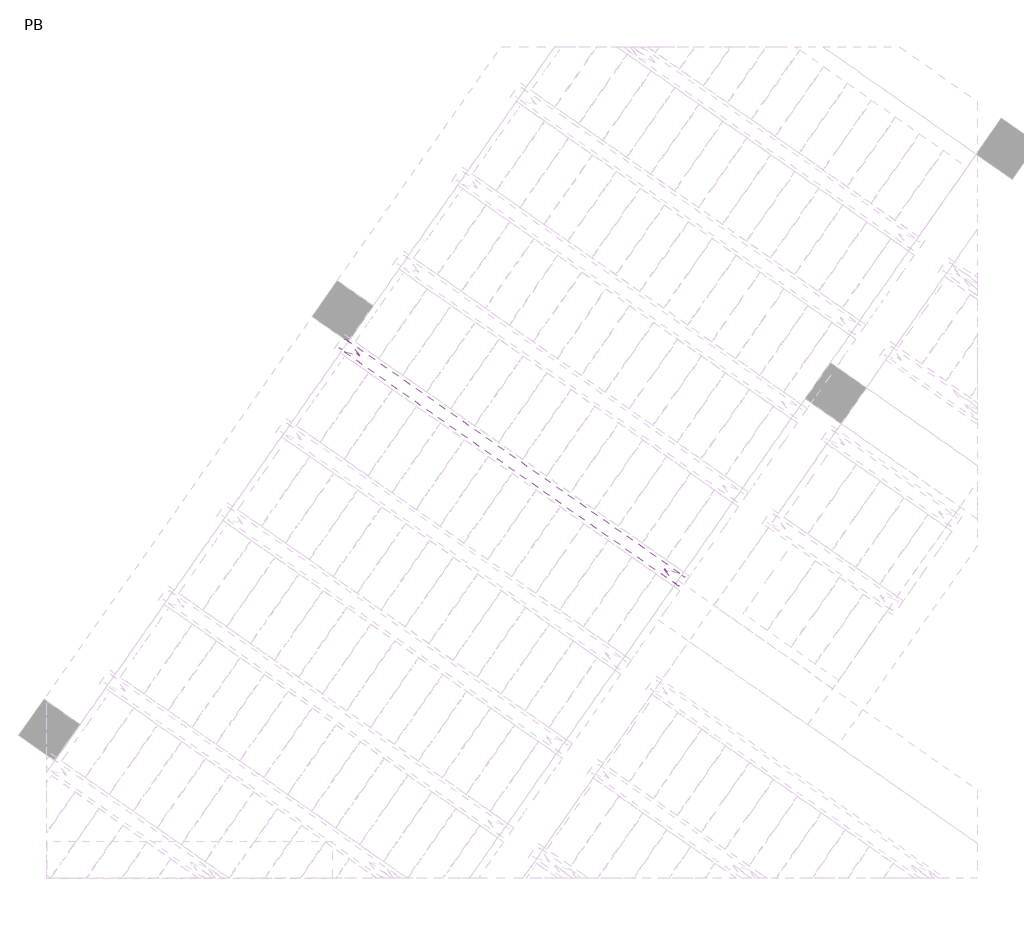
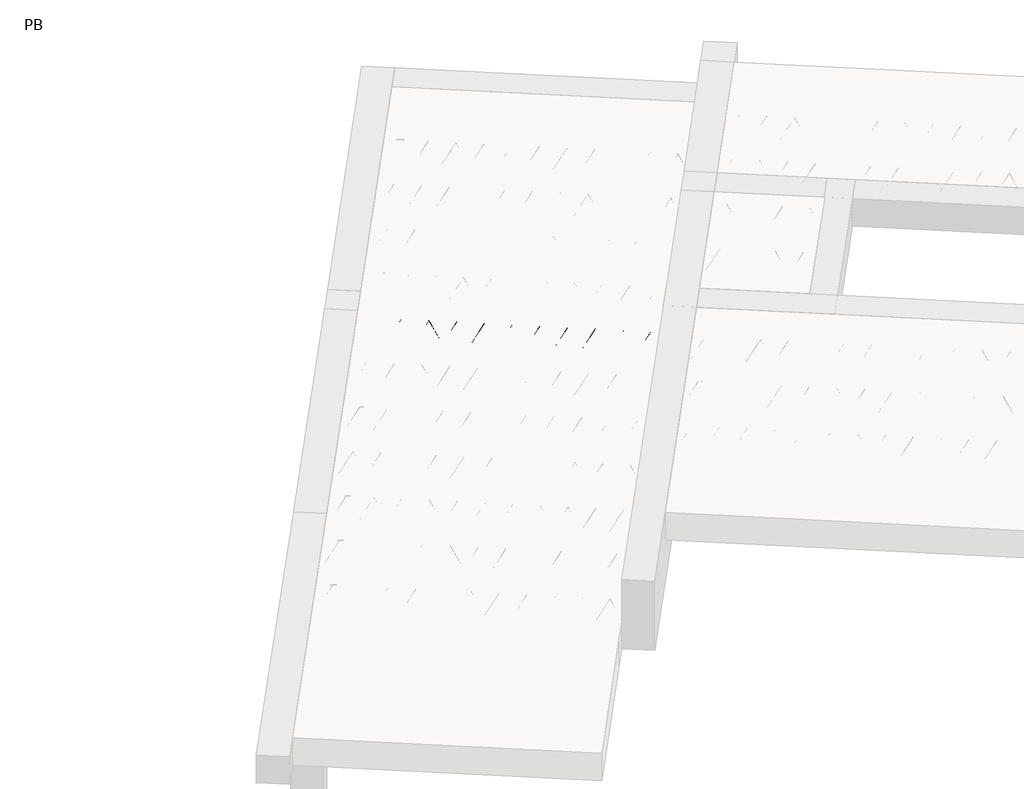
# One storey, part 35 of 56: 1 beam.
"""IFC4 building model written with IfcOpenShell, lengths in millimetres."""

from ifc_helpers import new_model, si_unit, point, frame, origin, origin_2d, place, context, project, spatial, circle_curve, trimmed, segment, composite_curve, outline, extrude, element, save

model = new_model("IFC4")

# Units and contexts
model_context = context("Model", 3, world=origin())
ifc_project = project(units=[si_unit("LENGTHUNIT", "METRE", prefix="MILLI")], contexts=[model_context])

# Site, building, storey
site = spatial("IfcSite", under=ifc_project)
building = spatial("IfcBuilding", under=site)
storey = spatial("IfcBuildingStorey", under=building, Name="PB", Elevation=95940.0)

# Beam
placement = place(None, origin())
element("IfcBeam", 1, at=placement, inside=storey, context=model_context, shape_type="SweptSolid", body=[
    extrude(outline(composite_curve([segment(trimmed(circle_curve(origin_2d(), 2.5), [point((-2.5, 0.0))], [point((2.5, 0.0))], False, "CARTESIAN"), True, "CONTINUOUS"), segment(trimmed(circle_curve(origin_2d(), 2.5), [point((2.5, 0.0))], [point((-2.5, 0.0))], False, "CARTESIAN"), True, "CONTINUOUS")], self_intersect=False)), frame((4756.0331286, 6209.2668931, 98785.0), z_axis=(-0.8191520442696126, 0.5735764363787226, 0.0), x_axis=(0.5735764363787226, 0.8191520442696126, 0.0)), (0.0, 0.0, 1.0), 2836.461997),
    extrude(outline(composite_curve([segment(trimmed(circle_curve(origin_2d(), 2.5), [point((-2.5, 0.0))], [point((2.5000001, 0.0))], False, "CARTESIAN"), True, "CONTINUOUS"), segment(trimmed(circle_curve(origin_2d(), 2.5), [point((2.5000001, 0.0))], [point((-2.5, 0.0))], False, "CARTESIAN"), True, "CONTINUOUS")], self_intersect=False)), frame((4679.8327161, 6306.5708815, 99010.0), z_axis=(-0.8191520442696126, 0.5735764363787226, 0.0), x_axis=(0.5735764363787226, 0.8191520442696126, 0.0)), (0.0, 0.0, 1.0), 2600.0),
    extrude(outline(composite_curve([segment(trimmed(circle_curve(origin_2d(), 2.5), [point((-2.5, 0.0))], [point((2.5, 1e-07))], False, "CARTESIAN"), True, "CONTINUOUS"), segment(trimmed(circle_curve(origin_2d(), 2.5), [point((2.5, 1e-07))], [point((-2.5, 0.0))], False, "CARTESIAN"), True, "CONTINUOUS")], self_intersect=False)), frame((4720.6203677, 6234.0631752, 98785.0), z_axis=(-0.3145304735701046, 0.38933448886848654, 0.8657304643902053), x_axis=(0.7778747638402499, 0.6284193279813057, 0.0)), (0.0, 0.0, 1.0), 259.8961331),
    extrude(outline(composite_curve([segment(trimmed(circle_curve(origin_2d(), 2.5), [point((2.5, -1e-07))], [point((-2.5, 0.0))], False, "CARTESIAN"), True, "CONTINUOUS"), segment(trimmed(circle_curve(origin_2d(), 2.5), [point((-2.5, 0.0))], [point((2.5, -1e-07))], False, "CARTESIAN"), True, "CONTINUOUS")], self_intersect=False)), frame((4515.8323567, 6377.4572843, 98785.0), z_axis=(0.47343050384693375, -0.16240172737369005, 0.8657304643902051), x_axis=(-0.3244721671091268, -0.9458952440791246, 0.0)), (0.0, 0.0, 1.0), 259.8961331),
    extrude(outline(composite_curve([segment(trimmed(circle_curve(origin_2d(), 2.5), [point((-2.5000001, 1e-07))], [point((2.5, 0.0))], False, "CARTESIAN"), True, "CONTINUOUS"), segment(trimmed(circle_curve(origin_2d(), 2.5), [point((2.5, 0.0))], [point((-2.5000001, 1e-07))], False, "CARTESIAN"), True, "CONTINUOUS")], self_intersect=False)), frame((4515.8323567, 6377.4572843, 98785.0), z_axis=(-0.3145304735701046, 0.38933448886848654, 0.8657304643902053), x_axis=(0.7778747638402499, 0.6284193279813057, 0.0)), (0.0, 0.0, 1.0), 259.8961331),
    extrude(outline(composite_curve([segment(trimmed(circle_curve(origin_2d(), 2.5), [point((2.5, 0.0))], [point((-2.5, 0.0))], False, "CARTESIAN"), True, "CONTINUOUS"), segment(trimmed(circle_curve(origin_2d(), 2.5), [point((-2.5, 0.0))], [point((2.5, 0.0))], False, "CARTESIAN"), True, "CONTINUOUS")], self_intersect=False)), frame((4311.0443456, 6520.8513934, 98785.0), z_axis=(0.47343050384693375, -0.16240172737369005, 0.8657304643902051), x_axis=(-0.3244721671091268, -0.9458952440791246, 0.0)), (0.0, 0.0, 1.0), 259.8961331),
    extrude(outline(composite_curve([segment(trimmed(circle_curve(origin_2d(), 2.5), [point((-2.5, 0.0))], [point((2.5, 0.0))], False, "CARTESIAN"), True, "CONTINUOUS"), segment(trimmed(circle_curve(origin_2d(), 2.5), [point((2.5, 0.0))], [point((-2.5, 0.0))], False, "CARTESIAN"), True, "CONTINUOUS")], self_intersect=False)), frame((4311.0443456, 6520.8513934, 98785.0), z_axis=(-0.3145304735701046, 0.38933448886848654, 0.8657304643902053), x_axis=(0.7778747638402499, 0.6284193279813057, 0.0)), (0.0, 0.0, 1.0), 259.8961331),
    extrude(outline(composite_curve([segment(trimmed(circle_curve(origin_2d(), 2.5), [point((2.5, 0.0))], [point((-2.5, 0.0))], False, "CARTESIAN"), True, "CONTINUOUS"), segment(trimmed(circle_curve(origin_2d(), 2.5), [point((-2.5, 0.0))], [point((2.5, 0.0))], False, "CARTESIAN"), True, "CONTINUOUS")], self_intersect=False)), frame((4106.2563345, 6664.2455025, 98785.0), z_axis=(0.47343050384693375, -0.16240172737369005, 0.8657304643902051), x_axis=(-0.3244721671091268, -0.9458952440791246, 0.0)), (0.0, 0.0, 1.0), 259.8961331),
    extrude(outline(composite_curve([segment(trimmed(circle_curve(origin_2d(), 2.5), [point((-2.5, 0.0))], [point((2.5, 0.0))], False, "CARTESIAN"), True, "CONTINUOUS"), segment(trimmed(circle_curve(origin_2d(), 2.5), [point((2.5, 0.0))], [point((-2.5, 0.0))], False, "CARTESIAN"), True, "CONTINUOUS")], self_intersect=False)), frame((4106.2563345, 6664.2455025, 98785.0), z_axis=(-0.3145304735701046, 0.38933448886848654, 0.8657304643902053), x_axis=(0.7778747638402499, 0.6284193279813057, 0.0)), (0.0, 0.0, 1.0), 259.8961331),
    extrude(outline(composite_curve([segment(trimmed(circle_curve(origin_2d(), 2.5), [point((2.5, -1e-07))], [point((-2.5, 0.0))], False, "CARTESIAN"), True, "CONTINUOUS"), segment(trimmed(circle_curve(origin_2d(), 2.5), [point((-2.5, 0.0))], [point((2.5, -1e-07))], False, "CARTESIAN"), True, "CONTINUOUS")], self_intersect=False)), frame((3901.4683235, 6807.6396116, 98785.0), z_axis=(0.47343050384693375, -0.16240172737369005, 0.8657304643902051), x_axis=(-0.3244721671091268, -0.9458952440791246, 0.0)), (0.0, 0.0, 1.0), 259.8961331),
    extrude(outline(composite_curve([segment(trimmed(circle_curve(origin_2d(), 2.5), [point((-2.5, 0.0))], [point((2.5, 0.0))], False, "CARTESIAN"), True, "CONTINUOUS"), segment(trimmed(circle_curve(origin_2d(), 2.5), [point((2.5, 0.0))], [point((-2.5, 0.0))], False, "CARTESIAN"), True, "CONTINUOUS")], self_intersect=False)), frame((3901.4683231, 6807.6396118, 98785.0), z_axis=(-0.3145304735701046, 0.38933448886848654, 0.8657304643902053), x_axis=(0.7778747638402499, 0.6284193279813057, 0.0)), (0.0, 0.0, 1.0), 259.8961331),
    extrude(outline(composite_curve([segment(trimmed(circle_curve(origin_2d(), 2.5), [point((2.5, -1e-07))], [point((-2.5, 0.0))], False, "CARTESIAN"), True, "CONTINUOUS"), segment(trimmed(circle_curve(origin_2d(), 2.5), [point((-2.5, 0.0))], [point((2.5, -1e-07))], False, "CARTESIAN"), True, "CONTINUOUS")], self_intersect=False)), frame((3696.6803121, 6951.0337209, 98785.0), z_axis=(0.47343050384693375, -0.16240172737369005, 0.8657304643902051), x_axis=(-0.3244721671091268, -0.9458952440791246, 0.0)), (0.0, 0.0, 1.0), 259.8961331),
    extrude(outline(composite_curve([segment(trimmed(circle_curve(origin_2d(), 2.5), [point((-2.5000001, 1e-07))], [point((2.5, 0.0))], False, "CARTESIAN"), True, "CONTINUOUS"), segment(trimmed(circle_curve(origin_2d(), 2.5), [point((2.5, 0.0))], [point((-2.5000001, 1e-07))], False, "CARTESIAN"), True, "CONTINUOUS")], self_intersect=False)), frame((3696.6803121, 6951.0337209, 98785.0), z_axis=(-0.3145304735701046, 0.38933448886848654, 0.8657304643902053), x_axis=(0.7778747638402499, 0.6284193279813057, 0.0)), (0.0, 0.0, 1.0), 259.8961331),
    extrude(outline(composite_curve([segment(trimmed(circle_curve(origin_2d(), 2.5), [point((2.5, 0.0))], [point((-2.5, 0.0))], False, "CARTESIAN"), True, "CONTINUOUS"), segment(trimmed(circle_curve(origin_2d(), 2.5), [point((-2.5, 0.0))], [point((2.5, 0.0))], False, "CARTESIAN"), True, "CONTINUOUS")], self_intersect=False)), frame((3491.892301, 7094.42783, 98785.0), z_axis=(0.47343050384693375, -0.16240172737369005, 0.8657304643902051), x_axis=(-0.3244721671091268, -0.9458952440791246, 0.0)), (0.0, 0.0, 1.0), 259.8961331),
    extrude(outline(composite_curve([segment(trimmed(circle_curve(origin_2d(), 2.5), [point((-2.5, 0.0))], [point((2.5, 0.0))], False, "CARTESIAN"), True, "CONTINUOUS"), segment(trimmed(circle_curve(origin_2d(), 2.5), [point((2.5, 0.0))], [point((-2.5, 0.0))], False, "CARTESIAN"), True, "CONTINUOUS")], self_intersect=False)), frame((3491.892301, 7094.42783, 98785.0), z_axis=(-0.3145304735701046, 0.38933448886848654, 0.8657304643902053), x_axis=(0.7778747638402499, 0.6284193279813057, 0.0)), (0.0, 0.0, 1.0), 259.8961331),
    extrude(outline(composite_curve([segment(trimmed(circle_curve(origin_2d(), 2.5), [point((2.5, 0.0))], [point((-2.5, 0.0))], False, "CARTESIAN"), True, "CONTINUOUS"), segment(trimmed(circle_curve(origin_2d(), 2.5), [point((-2.5, 0.0))], [point((2.5, 0.0))], False, "CARTESIAN"), True, "CONTINUOUS")], self_intersect=False)), frame((3287.1042899, 7237.8219391, 98785.0), z_axis=(0.47343050384693375, -0.16240172737369005, 0.8657304643902051), x_axis=(-0.3244721671091268, -0.9458952440791246, 0.0)), (0.0, 0.0, 1.0), 259.8961331),
    extrude(outline(composite_curve([segment(trimmed(circle_curve(origin_2d(), 2.5), [point((-2.5, 0.0))], [point((2.5, 0.0))], False, "CARTESIAN"), True, "CONTINUOUS"), segment(trimmed(circle_curve(origin_2d(), 2.5), [point((2.5, 0.0))], [point((-2.5, 0.0))], False, "CARTESIAN"), True, "CONTINUOUS")], self_intersect=False)), frame((3287.1042899, 7237.8219391, 98785.0), z_axis=(-0.3145304735701046, 0.38933448886848654, 0.8657304643902053), x_axis=(0.7778747638402499, 0.6284193279813057, 0.0)), (0.0, 0.0, 1.0), 259.8961331),
    extrude(outline(composite_curve([segment(trimmed(circle_curve(origin_2d(), 2.5), [point((2.5, -1e-07))], [point((-2.5, 0.0))], False, "CARTESIAN"), True, "CONTINUOUS"), segment(trimmed(circle_curve(origin_2d(), 2.5), [point((-2.5, 0.0))], [point((2.5, -1e-07))], False, "CARTESIAN"), True, "CONTINUOUS")], self_intersect=False)), frame((3082.3162789, 7381.2160482, 98785.0), z_axis=(0.47343050384693375, -0.16240172737369005, 0.8657304643902051), x_axis=(-0.3244721671091268, -0.9458952440791246, 0.0)), (0.0, 0.0, 1.0), 259.8961331),
    extrude(outline(composite_curve([segment(trimmed(circle_curve(origin_2d(), 2.5), [point((-2.5000001, 1e-07))], [point((2.5, 0.0))], False, "CARTESIAN"), True, "CONTINUOUS"), segment(trimmed(circle_curve(origin_2d(), 2.5), [point((2.5, 0.0))], [point((-2.5000001, 1e-07))], False, "CARTESIAN"), True, "CONTINUOUS")], self_intersect=False)), frame((3082.3162789, 7381.2160482, 98785.0), z_axis=(-0.3145304735701046, 0.38933448886848654, 0.8657304643902053), x_axis=(0.7778747638402499, 0.6284193279813057, 0.0)), (0.0, 0.0, 1.0), 259.8961331),
    extrude(outline(composite_curve([segment(trimmed(circle_curve(origin_2d(), 2.5), [point((2.5, 0.0))], [point((-2.5, 0.0))], False, "CARTESIAN"), True, "CONTINUOUS"), segment(trimmed(circle_curve(origin_2d(), 2.5), [point((-2.5, 0.0))], [point((2.5, 0.0))], False, "CARTESIAN"), True, "CONTINUOUS")], self_intersect=False)), frame((2877.5282678, 7524.6101573, 98785.0), z_axis=(0.47343050384693375, -0.16240172737369005, 0.8657304643902051), x_axis=(-0.3244721671091268, -0.9458952440791246, 0.0)), (0.0, 0.0, 1.0), 259.8961331),
    extrude(outline(composite_curve([segment(trimmed(circle_curve(origin_2d(), 2.5), [point((-2.5, 0.0))], [point((2.5, 0.0))], False, "CARTESIAN"), True, "CONTINUOUS"), segment(trimmed(circle_curve(origin_2d(), 2.5), [point((2.5, 0.0))], [point((-2.5, 0.0))], False, "CARTESIAN"), True, "CONTINUOUS")], self_intersect=False)), frame((2877.5282678, 7524.6101573, 98785.0), z_axis=(-0.3145304735701046, 0.38933448886848654, 0.8657304643902053), x_axis=(0.7778747638402499, 0.6284193279813057, 0.0)), (0.0, 0.0, 1.0), 259.8961331),
    extrude(outline(composite_curve([segment(trimmed(circle_curve(origin_2d(), 2.5), [point((2.5, 0.0))], [point((-2.5, 0.0))], False, "CARTESIAN"), True, "CONTINUOUS"), segment(trimmed(circle_curve(origin_2d(), 2.5), [point((-2.5, 0.0))], [point((2.5, 0.0))], False, "CARTESIAN"), True, "CONTINUOUS")], self_intersect=False)), frame((2672.7402567, 7668.0042664, 98785.0), z_axis=(0.47343050384693375, -0.16240172737369005, 0.8657304643902051), x_axis=(-0.3244721671091268, -0.9458952440791246, 0.0)), (0.0, 0.0, 1.0), 259.8961331),
    extrude(outline(composite_curve([segment(trimmed(circle_curve(origin_2d(), 2.5), [point((-2.5, 0.0))], [point((2.5, 0.0))], False, "CARTESIAN"), True, "CONTINUOUS"), segment(trimmed(circle_curve(origin_2d(), 2.5), [point((2.5, 0.0))], [point((-2.5, 0.0))], False, "CARTESIAN"), True, "CONTINUOUS")], self_intersect=False)), frame((2672.7402567, 7668.0042664, 98785.0), z_axis=(-0.3145304735701046, 0.38933448886848654, 0.8657304643902053), x_axis=(0.7778747638402499, 0.6284193279813057, 0.0)), (0.0, 0.0, 1.0), 259.8961331),
    extrude(outline(composite_curve([segment(trimmed(circle_curve(origin_2d(), 2.5), [point((2.5, -1e-07))], [point((-2.5, 0.0))], False, "CARTESIAN"), True, "CONTINUOUS"), segment(trimmed(circle_curve(origin_2d(), 2.5), [point((-2.5, 0.0))], [point((2.5, -1e-07))], False, "CARTESIAN"), True, "CONTINUOUS")], self_intersect=False)), frame((2467.9522457, 7811.3983755, 98785.0), z_axis=(0.47343050384693375, -0.16240172737369005, 0.8657304643902051), x_axis=(-0.3244721671091268, -0.9458952440791246, 0.0)), (0.0, 0.0, 1.0), 259.8961331),
    extrude(outline(composite_curve([segment(trimmed(circle_curve(origin_2d(), 2.5), [point((-2.5, 0.0))], [point((2.5, 0.0))], False, "CARTESIAN"), True, "CONTINUOUS"), segment(trimmed(circle_curve(origin_2d(), 2.5), [point((2.5, 0.0))], [point((-2.5, 0.0))], False, "CARTESIAN"), True, "CONTINUOUS")], self_intersect=False)), frame((4797.330632, 6268.2458403, 98785.0), z_axis=(-0.8191520442696126, 0.5735764363787226, 0.0), x_axis=(0.5735764363787226, 0.8191520442696126, 0.0)), (0.0, 0.0, 1.0), 2836.461997),
    extrude(outline(composite_curve([segment(trimmed(circle_curve(origin_2d(), 2.5), [point((-2.5, 0.0))], [point((2.5, 0.0))], False, "CARTESIAN"), True, "CONTINUOUS"), segment(trimmed(circle_curve(origin_2d(), 2.5), [point((2.5, 0.0))], [point((-2.5, 0.0))], False, "CARTESIAN"), True, "CONTINUOUS")], self_intersect=False)), frame((4761.9178711, 6293.0421224, 98785.0), z_axis=(-0.47343050384693375, 0.16240172737369005, 0.8657304643902051), x_axis=(0.3244721671091268, 0.9458952440791246, 0.0)), (0.0, 0.0, 1.0), 259.8961331),
    extrude(outline(composite_curve([segment(trimmed(circle_curve(origin_2d(), 2.5), [point((2.5, 0.0))], [point((-2.5, 0.0))], False, "CARTESIAN"), True, "CONTINUOUS"), segment(trimmed(circle_curve(origin_2d(), 2.5), [point((-2.5, 0.0))], [point((2.5, 0.0))], False, "CARTESIAN"), True, "CONTINUOUS")], self_intersect=False)), frame((4557.1298601, 6436.4362315, 98785.0), z_axis=(0.3145304735701046, -0.38933448886848654, 0.8657304643902053), x_axis=(-0.7778747638402499, -0.6284193279813057, 0.0)), (0.0, 0.0, 1.0), 259.8961331),
    extrude(outline(composite_curve([segment(trimmed(circle_curve(origin_2d(), 2.5), [point((-2.5, 0.0))], [point((2.5, 0.0))], False, "CARTESIAN"), True, "CONTINUOUS"), segment(trimmed(circle_curve(origin_2d(), 2.5), [point((2.5, 0.0))], [point((-2.5, 0.0))], False, "CARTESIAN"), True, "CONTINUOUS")], self_intersect=False)), frame((4557.1298601, 6436.4362315, 98785.0), z_axis=(-0.47343050384693375, 0.16240172737369005, 0.8657304643902051), x_axis=(0.3244721671091268, 0.9458952440791246, 0.0)), (0.0, 0.0, 1.0), 259.8961331),
    extrude(outline(composite_curve([segment(trimmed(circle_curve(origin_2d(), 2.5), [point((2.5, 0.0))], [point((-2.5, 0.0))], False, "CARTESIAN"), True, "CONTINUOUS"), segment(trimmed(circle_curve(origin_2d(), 2.5), [point((-2.5, 0.0))], [point((2.5, 0.0))], False, "CARTESIAN"), True, "CONTINUOUS")], self_intersect=False)), frame((4352.341849, 6579.8303406, 98785.0), z_axis=(0.3145304735701046, -0.38933448886848654, 0.8657304643902053), x_axis=(-0.7778747638402499, -0.6284193279813057, 0.0)), (0.0, 0.0, 1.0), 259.8961331),
    extrude(outline(composite_curve([segment(trimmed(circle_curve(origin_2d(), 2.5), [point((-2.5, 0.0))], [point((2.5, 0.0))], False, "CARTESIAN"), True, "CONTINUOUS"), segment(trimmed(circle_curve(origin_2d(), 2.5), [point((2.5, 0.0))], [point((-2.5, 0.0))], False, "CARTESIAN"), True, "CONTINUOUS")], self_intersect=False)), frame((4352.341849, 6579.8303406, 98785.0), z_axis=(-0.47343050384693375, 0.16240172737369005, 0.8657304643902051), x_axis=(0.3244721671091268, 0.9458952440791246, 0.0)), (0.0, 0.0, 1.0), 259.8961331),
    extrude(outline(composite_curve([segment(trimmed(circle_curve(origin_2d(), 2.5), [point((2.5, 0.0))], [point((-2.5, 0.0))], False, "CARTESIAN"), True, "CONTINUOUS"), segment(trimmed(circle_curve(origin_2d(), 2.5), [point((-2.5, 0.0))], [point((2.5, 0.0))], False, "CARTESIAN"), True, "CONTINUOUS")], self_intersect=False)), frame((4147.5538379, 6723.2244497, 98785.0), z_axis=(0.3145304735701046, -0.38933448886848654, 0.8657304643902053), x_axis=(-0.7778747638402499, -0.6284193279813057, 0.0)), (0.0, 0.0, 1.0), 259.8961331),
    extrude(outline(composite_curve([segment(trimmed(circle_curve(origin_2d(), 2.5), [point((-2.5, 0.0))], [point((2.5, -1e-07))], False, "CARTESIAN"), True, "CONTINUOUS"), segment(trimmed(circle_curve(origin_2d(), 2.5), [point((2.5, -1e-07))], [point((-2.5, 0.0))], False, "CARTESIAN"), True, "CONTINUOUS")], self_intersect=False)), frame((4147.5538379, 6723.2244497, 98785.0), z_axis=(-0.47343050384693375, 0.16240172737369005, 0.8657304643902051), x_axis=(0.3244721671091268, 0.9458952440791246, 0.0)), (0.0, 0.0, 1.0), 259.8961331),
    extrude(outline(composite_curve([segment(trimmed(circle_curve(origin_2d(), 2.5), [point((2.5, 0.0))], [point((-2.5, 0.0))], False, "CARTESIAN"), True, "CONTINUOUS"), segment(trimmed(circle_curve(origin_2d(), 2.5), [point((-2.5, 0.0))], [point((2.5, 0.0))], False, "CARTESIAN"), True, "CONTINUOUS")], self_intersect=False)), frame((3942.7658269, 6866.6185588, 98785.0), z_axis=(0.3145304735701046, -0.38933448886848654, 0.8657304643902053), x_axis=(-0.7778747638402499, -0.6284193279813057, 0.0)), (0.0, 0.0, 1.0), 259.8961331),
    extrude(outline(composite_curve([segment(trimmed(circle_curve(origin_2d(), 2.5), [point((-2.5, 0.0))], [point((2.5, -1e-07))], False, "CARTESIAN"), True, "CONTINUOUS"), segment(trimmed(circle_curve(origin_2d(), 2.5), [point((2.5, -1e-07))], [point((-2.5, 0.0))], False, "CARTESIAN"), True, "CONTINUOUS")], self_intersect=False)), frame((3942.7658265, 6866.618559, 98785.0), z_axis=(-0.47343050384693375, 0.16240172737369005, 0.8657304643902051), x_axis=(0.3244721671091268, 0.9458952440791246, 0.0)), (0.0, 0.0, 1.0), 259.8961331),
    extrude(outline(composite_curve([segment(trimmed(circle_curve(origin_2d(), 2.5), [point((2.5, 0.0))], [point((-2.5, 0.0))], False, "CARTESIAN"), True, "CONTINUOUS"), segment(trimmed(circle_curve(origin_2d(), 2.5), [point((-2.5, 0.0))], [point((2.5, 0.0))], False, "CARTESIAN"), True, "CONTINUOUS")], self_intersect=False)), frame((3737.9778155, 7010.0126681, 98785.0), z_axis=(0.3145304735701046, -0.38933448886848654, 0.8657304643902053), x_axis=(-0.7778747638402499, -0.6284193279813057, 0.0)), (0.0, 0.0, 1.0), 259.8961331),
    extrude(outline(composite_curve([segment(trimmed(circle_curve(origin_2d(), 2.5), [point((-2.5, 0.0))], [point((2.5, 0.0))], False, "CARTESIAN"), True, "CONTINUOUS"), segment(trimmed(circle_curve(origin_2d(), 2.5), [point((2.5, 0.0))], [point((-2.5, 0.0))], False, "CARTESIAN"), True, "CONTINUOUS")], self_intersect=False)), frame((3737.9778155, 7010.0126681, 98785.0), z_axis=(-0.47343050384693375, 0.16240172737369005, 0.8657304643902051), x_axis=(0.3244721671091268, 0.9458952440791246, 0.0)), (0.0, 0.0, 1.0), 259.8961331),
    extrude(outline(composite_curve([segment(trimmed(circle_curve(origin_2d(), 2.5), [point((2.5, 0.0))], [point((-2.5, 0.0))], False, "CARTESIAN"), True, "CONTINUOUS"), segment(trimmed(circle_curve(origin_2d(), 2.5), [point((-2.5, 0.0))], [point((2.5, 0.0))], False, "CARTESIAN"), True, "CONTINUOUS")], self_intersect=False)), frame((3533.1898044, 7153.4067772, 98785.0), z_axis=(0.3145304735701046, -0.38933448886848654, 0.8657304643902053), x_axis=(-0.7778747638402499, -0.6284193279813057, 0.0)), (0.0, 0.0, 1.0), 259.8961331),
    extrude(outline(composite_curve([segment(trimmed(circle_curve(origin_2d(), 2.5), [point((-2.5, 0.0))], [point((2.5, 0.0))], False, "CARTESIAN"), True, "CONTINUOUS"), segment(trimmed(circle_curve(origin_2d(), 2.5), [point((2.5, 0.0))], [point((-2.5, 0.0))], False, "CARTESIAN"), True, "CONTINUOUS")], self_intersect=False)), frame((3533.1898044, 7153.4067772, 98785.0), z_axis=(-0.47343050384693375, 0.16240172737369005, 0.8657304643902051), x_axis=(0.3244721671091268, 0.9458952440791246, 0.0)), (0.0, 0.0, 1.0), 259.8961331),
    extrude(outline(composite_curve([segment(trimmed(circle_curve(origin_2d(), 2.5), [point((2.5, 0.0))], [point((-2.5000001, 1e-07))], False, "CARTESIAN"), True, "CONTINUOUS"), segment(trimmed(circle_curve(origin_2d(), 2.5), [point((-2.5000001, 1e-07))], [point((2.5, 0.0))], False, "CARTESIAN"), True, "CONTINUOUS")], self_intersect=False)), frame((3328.4017933, 7296.8008863, 98785.0), z_axis=(0.3145304735701046, -0.38933448886848654, 0.8657304643902053), x_axis=(-0.7778747638402499, -0.6284193279813057, 0.0)), (0.0, 0.0, 1.0), 259.8961331),
    extrude(outline(composite_curve([segment(trimmed(circle_curve(origin_2d(), 2.5), [point((-2.5, 0.0))], [point((2.5, -1e-07))], False, "CARTESIAN"), True, "CONTINUOUS"), segment(trimmed(circle_curve(origin_2d(), 2.5), [point((2.5, -1e-07))], [point((-2.5, 0.0))], False, "CARTESIAN"), True, "CONTINUOUS")], self_intersect=False)), frame((3328.4017933, 7296.8008863, 98785.0), z_axis=(-0.47343050384693375, 0.16240172737369005, 0.8657304643902051), x_axis=(0.3244721671091268, 0.9458952440791246, 0.0)), (0.0, 0.0, 1.0), 259.8961331),
    extrude(outline(composite_curve([segment(trimmed(circle_curve(origin_2d(), 2.5), [point((2.5, 0.0))], [point((-2.5, 0.0))], False, "CARTESIAN"), True, "CONTINUOUS"), segment(trimmed(circle_curve(origin_2d(), 2.5), [point((-2.5, 0.0))], [point((2.5, 0.0))], False, "CARTESIAN"), True, "CONTINUOUS")], self_intersect=False)), frame((3123.6137823, 7440.1949954, 98785.0), z_axis=(0.3145304735701046, -0.38933448886848654, 0.8657304643902053), x_axis=(-0.7778747638402499, -0.6284193279813057, 0.0)), (0.0, 0.0, 1.0), 259.8961331),
    extrude(outline(composite_curve([segment(trimmed(circle_curve(origin_2d(), 2.5), [point((-2.5, 0.0))], [point((2.5, 0.0))], False, "CARTESIAN"), True, "CONTINUOUS"), segment(trimmed(circle_curve(origin_2d(), 2.5), [point((2.5, 0.0))], [point((-2.5, 0.0))], False, "CARTESIAN"), True, "CONTINUOUS")], self_intersect=False)), frame((3123.6137823, 7440.1949954, 98785.0), z_axis=(-0.47343050384693375, 0.16240172737369005, 0.8657304643902051), x_axis=(0.3244721671091268, 0.9458952440791246, 0.0)), (0.0, 0.0, 1.0), 259.8961331),
    extrude(outline(composite_curve([segment(trimmed(circle_curve(origin_2d(), 2.5), [point((2.5, 0.0))], [point((-2.5, 0.0))], False, "CARTESIAN"), True, "CONTINUOUS"), segment(trimmed(circle_curve(origin_2d(), 2.5), [point((-2.5, 0.0))], [point((2.5, 0.0))], False, "CARTESIAN"), True, "CONTINUOUS")], self_intersect=False)), frame((2918.8257712, 7583.5891045, 98785.0), z_axis=(0.3145304735701046, -0.38933448886848654, 0.8657304643902053), x_axis=(-0.7778747638402499, -0.6284193279813057, 0.0)), (0.0, 0.0, 1.0), 259.8961331),
    extrude(outline(composite_curve([segment(trimmed(circle_curve(origin_2d(), 2.5), [point((-2.5, 0.0))], [point((2.5, 0.0))], False, "CARTESIAN"), True, "CONTINUOUS"), segment(trimmed(circle_curve(origin_2d(), 2.5), [point((2.5, 0.0))], [point((-2.5, 0.0))], False, "CARTESIAN"), True, "CONTINUOUS")], self_intersect=False)), frame((2918.8257712, 7583.5891045, 98785.0), z_axis=(-0.47343050384693375, 0.16240172737369005, 0.8657304643902051), x_axis=(0.3244721671091268, 0.9458952440791246, 0.0)), (0.0, 0.0, 1.0), 259.8961331),
    extrude(outline(composite_curve([segment(trimmed(circle_curve(origin_2d(), 2.5), [point((2.5, 0.0))], [point((-2.5, 0.0))], False, "CARTESIAN"), True, "CONTINUOUS"), segment(trimmed(circle_curve(origin_2d(), 2.5), [point((-2.5, 0.0))], [point((2.5, 0.0))], False, "CARTESIAN"), True, "CONTINUOUS")], self_intersect=False)), frame((2714.0377601, 7726.9832136, 98785.0), z_axis=(0.3145304735701046, -0.38933448886848654, 0.8657304643902053), x_axis=(-0.7778747638402499, -0.6284193279813057, 0.0)), (0.0, 0.0, 1.0), 259.8961331),
    extrude(outline(composite_curve([segment(trimmed(circle_curve(origin_2d(), 2.5), [point((-2.5, 0.0))], [point((2.5, -1e-07))], False, "CARTESIAN"), True, "CONTINUOUS"), segment(trimmed(circle_curve(origin_2d(), 2.5), [point((2.5, -1e-07))], [point((-2.5, 0.0))], False, "CARTESIAN"), True, "CONTINUOUS")], self_intersect=False)), frame((2714.0377601, 7726.9832136, 98785.0), z_axis=(-0.47343050384693375, 0.16240172737369005, 0.8657304643902051), x_axis=(0.3244721671091268, 0.9458952440791246, 0.0)), (0.0, 0.0, 1.0), 259.8961331),
    extrude(outline(composite_curve([segment(trimmed(circle_curve(origin_2d(), 2.5), [point((2.5, 0.0))], [point((-2.5, 0.0))], False, "CARTESIAN"), True, "CONTINUOUS"), segment(trimmed(circle_curve(origin_2d(), 2.5), [point((-2.5, 0.0))], [point((2.5, 0.0))], False, "CARTESIAN"), True, "CONTINUOUS")], self_intersect=False)), frame((2509.2497491, 7870.3773227, 98785.0), z_axis=(0.3145304735701046, -0.38933448886848654, 0.8657304643902053), x_axis=(-0.7778747638402499, -0.6284193279813057, 0.0)), (0.0, 0.0, 1.0), 259.8961331),
])

save(model, "model.ifc")
